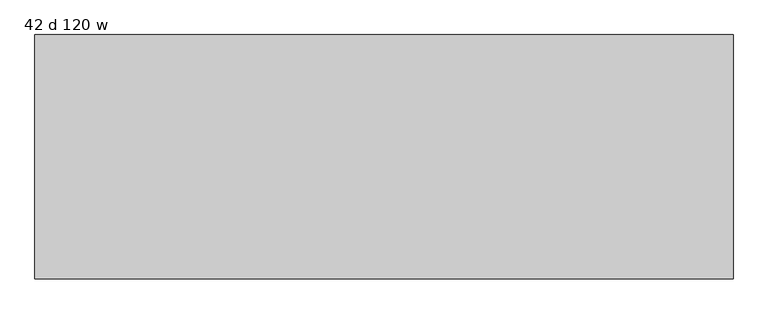
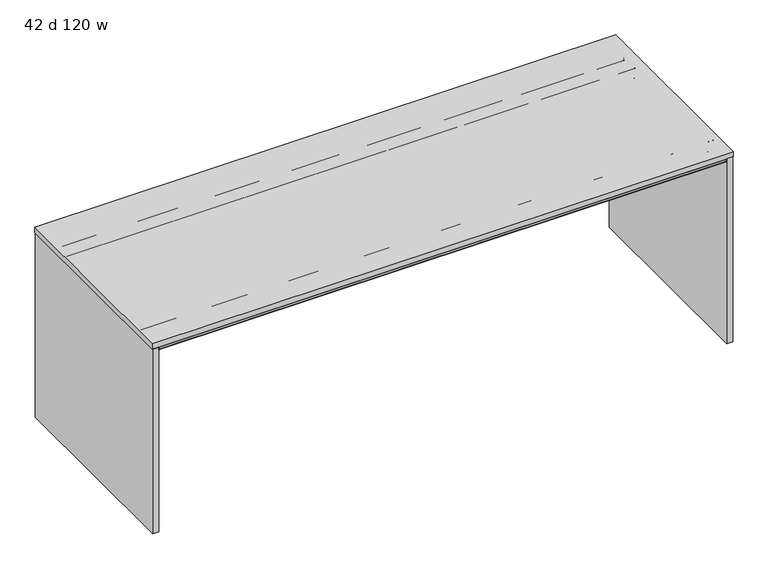
"""IFC4 building model written with IfcOpenShell, lengths in millimetres: furniture geometry, 42 d 120 w."""

from ifc_helpers import new_model, si_unit, frame, origin, place, context, project, spatial, polyline, circle_curve, outline, extrude, source, transform, mapped, element, save
from ifc_brep_helpers import plane_surface, cylinder_surface, revolved_surface, advanced_brep


def furniture_42_d_120_w_baacfdd0(model_context):
    return source(origin(), model_context, "Body", "SolidModel", [
        advanced_brep(
        [(-1489.9632694, -440.6387871, 1035.7451368), (-1489.9632694, -440.6387871, 1037.2344355), (-1489.9632694, -233.4775792, 1037.2344355), (-1489.9632694, -233.4775792, 1035.7451368), (-1489.9632694, -297.548793, 1035.7451368), (-1489.9632694, -298.3387884, 1034.9551414), (-1489.9632694, -298.3387884, 981.8251949), (-1489.9632694, -300.3487901, 979.8151932), (-1489.9632694, -371.3288099, 979.8151932), (-1489.9632694, -373.3387889, 981.8251722), (-1489.9632694, -373.3387889, 1034.9551324), (-1489.9632694, -374.1287934, 1035.7451368), (-1489.9632694, -377.3440004, 1035.7451368), (-1489.9632694, -377.3440004, 1034.8551476), (-1489.9632694, -393.351863, 1034.8551476), (-1489.9632694, -394.3440074, 1033.8630031), (-1489.9632694, -394.3440074, 1022.7701294), (-1489.9632694, -396.0239921, 1021.0901447), (-1489.9632694, -529.664018, 1021.0901447), (-1489.9632694, -531.3440027, 1022.7701294), (-1489.9632694, -531.3440027, 1035.2851358), (-1489.9632694, -529.3947031, 1037.2344355), (-1489.9632694, -511.3440062, 1037.2344355), (-1489.9632694, -511.3440062, 1035.7451368), (1489.9632694, -373.3387889, 1034.9551324), (1489.9632694, -373.3387889, 981.8251722), (1489.9632694, -371.3288099, 979.8151932), (1489.9632694, -300.3487901, 979.8151932), (1489.9632694, -298.3387884, 981.8251949), (1489.9632694, -298.3387884, 1034.9551414), (1489.9632694, -297.548793, 1035.7451368), (1489.9632694, -233.4775792, 1035.7451368), (1489.9632694, -233.4775792, 1037.2344355), (1489.9632694, -373.3387889, 1037.2344355), (1513.8077008, -374.1287934, 1035.7451368), (1513.8077008, -440.6387871, 1035.7451368), (1489.9632694, -440.6387871, 1035.7451368), (1489.9632694, -377.3440004, 1035.7451368), (1489.9632694, -374.1287934, 1035.7451368), (-1437.6233975, -373.3387889, 1034.9551324), (-1413.7789661, -373.3387889, 1034.9551324), (-1457.5087931, -233.4775792, 1035.7451368), (-1451.8323695, -235.8288302, 1035.7451368), (-1423.0978826, -264.5633064, 1035.7451368), (-1405.1373737, -272.0027908, 1035.7451368), (1405.1373737, -272.0027908, 1035.7451368), (1423.0978826, -264.5633064, 1035.7451368), (1451.8323695, -235.8288302, 1035.7451368), (1457.5087931, -233.4775792, 1035.7451368), (1513.8077008, -440.6387871, 1037.2344355), (1513.8077008, -373.3387889, 1037.2344355), (1457.5087931, -233.4775792, 1037.2344355), (1451.8323695, -235.8288302, 1037.2344355), (1423.0978826, -264.5633064, 1037.2344355), (1405.1373737, -272.0027908, 1037.2344355), (-1405.1373737, -272.0027908, 1037.2344355), (-1423.0978826, -264.5633064, 1037.2344355), (-1451.8323695, -235.8288302, 1037.2344355), (-1457.5087931, -233.4775792, 1037.2344355), (1513.8077008, -373.3387889, 1034.9551324), (1489.9632694, -396.0239921, 1021.0901447), (1489.9632694, -394.3440074, 1022.7701294), (1489.9632694, -394.3440074, 1033.8630031), (1489.9632694, -393.351863, 1034.8551476), (1489.9632694, -377.3440004, 1034.8551476), (1489.9632694, -511.3440062, 1035.7451368), (1489.9632694, -511.3440062, 1037.2344355), (1489.9632694, -529.3947031, 1037.2344355), (1489.9632694, -531.3440027, 1035.2851358), (1489.9632694, -531.3440027, 1022.7701294), (1489.9632694, -529.664018, 1021.0901447)],
        [
            (0, 1),
            (1, 2),
            (2, 3),
            (3, 4),
            (4, 5, circle_curve(frame((-1489.9632694, -297.548793, 1034.9551414), z_axis=(1.0, 0.0, 0.0), x_axis=(0.0, 1.0, 0.0)), 0.7899954)),
            (5, 6),
            (6, 7, circle_curve(frame((-1489.9632694, -300.3487901, 981.8251949), z_axis=(-1.0, 0.0, 0.0), x_axis=(0.0, 1.0, 0.0)), 2.0100018)),
            (7, 8),
            (8, 9, circle_curve(frame((-1489.9632694, -371.3288099, 981.8251722), z_axis=(-1.0, 0.0, 0.0), x_axis=(0.0, 1.0, 0.0)), 2.0099791)),
            (9, 10),
            (10, 11, circle_curve(frame((-1489.9632694, -374.1287934, 1034.9551324), z_axis=(1.0, 0.0, 0.0), x_axis=(0.0, 1.0, 0.0)), 0.7900045)),
            (11, 12),
            (12, 13),
            (13, 14),
            (14, 15, circle_curve(frame((-1489.9632694, -393.351863, 1033.8630031), z_axis=(1.0, 0.0, 0.0), x_axis=(0.0, 1.0, 0.0)), 0.9921444)),
            (15, 16),
            (16, 17, circle_curve(frame((-1489.9632694, -396.0239921, 1022.7701294), z_axis=(-1.0, 0.0, 0.0), x_axis=(0.0, 1.0, 0.0)), 1.6799847)),
            (17, 18),
            (18, 19, circle_curve(frame((-1489.9632694, -529.664018, 1022.7701294), z_axis=(-1.0, 0.0, 0.0), x_axis=(0.0, 1.0, 0.0)), 1.6799847)),
            (19, 20),
            (20, 21, circle_curve(frame((-1489.9632694, -529.3947031, 1035.2851358), z_axis=(-1.0, 0.0, 0.0), x_axis=(0.0, 1.0, 0.0)), 1.9492996)),
            (21, 22),
            (22, 23),
            (23, 0),
            (24, 25),
            (25, 26, circle_curve(frame((1489.9632694, -371.3288099, 981.8251722), z_axis=(1.0, 0.0, 0.0), x_axis=(0.0, 1.0, 0.0)), 2.0099791)),
            (26, 27),
            (27, 28, circle_curve(frame((1489.9632694, -300.3487901, 981.8251949), z_axis=(1.0, 0.0, 0.0), x_axis=(0.0, 1.0, 0.0)), 2.0100018)),
            (28, 29),
            (29, 30, circle_curve(frame((1489.9632694, -297.548793, 1034.9551414), z_axis=(-1.0, 0.0, 0.0), x_axis=(0.0, 1.0, 0.0)), 0.7899954)),
            (30, 31),
            (31, 32),
            (32, 33),
            (33, 24),
            (34, 35),
            (35, 36),
            (36, 37),
            (37, 12),
            (11, 38),
            (38, 34),
            (10, 39),
            (39, 40),
            (40, 24),
            (24, 38, circle_curve(frame((1489.9632694, -374.1287934, 1034.9551324), z_axis=(1.0, 0.0, 0.0), x_axis=(0.0, 1.0, 0.0)), 0.7900045)),
            (9, 25),
            (8, 26),
            (7, 27),
            (6, 28),
            (5, 29),
            (4, 30),
            (3, 41),
            (41, 42, circle_curve(frame((-1457.5087931, -241.505256, 1035.7451368), z_axis=(0.0, 0.0, -1.0), x_axis=(-1.0, 0.0, 0.0)), 8.0276768)),
            (42, 43),
            (43, 44, circle_curve(frame((-1405.1373737, -246.6027908, 1035.7451368), z_axis=(0.0, 0.0, 1.0), x_axis=(-1.0, 0.0, 0.0)), 25.4)),
            (44, 45),
            (45, 46, circle_curve(frame((1405.1373737, -246.6027908, 1035.7451368), z_axis=(0.0, 0.0, 1.0), x_axis=(-1.0, 0.0, 0.0)), 25.4)),
            (46, 47),
            (47, 48, circle_curve(frame((1457.5087931, -241.505256, 1035.7451368), z_axis=(0.0, 0.0, -1.0), x_axis=(-1.0, 0.0, 0.0)), 8.0276768)),
            (48, 31),
            (1, 49),
            (49, 50),
            (50, 33),
            (32, 51),
            (51, 52, circle_curve(frame((1457.5087931, -241.505256, 1037.2344355), z_axis=(0.0, 0.0, 1.0), x_axis=(-1.0, 0.0, 0.0)), 8.0276768)),
            (52, 53),
            (53, 54, circle_curve(frame((1405.1373737, -246.6027908, 1037.2344355), z_axis=(0.0, 0.0, -1.0), x_axis=(-1.0, 0.0, 0.0)), 25.4)),
            (54, 55),
            (55, 56, circle_curve(frame((-1405.1373737, -246.6027908, 1037.2344355), z_axis=(0.0, 0.0, -1.0), x_axis=(-1.0, 0.0, 0.0)), 25.4)),
            (56, 57),
            (57, 58, circle_curve(frame((-1457.5087931, -241.505256, 1037.2344355), z_axis=(0.0, 0.0, 1.0), x_axis=(-1.0, 0.0, 0.0)), 8.0276768)),
            (58, 2),
            (0, 36),
            (35, 49),
            (34, 59, circle_curve(frame((1513.8077008, -374.1287934, 1034.9551324), z_axis=(-1.0, 0.0, 0.0), x_axis=(0.0, 0.0, 1.0)), 0.7900045)),
            (59, 50),
            (24, 59),
            (60, 61, circle_curve(frame((1489.9632694, -396.0239921, 1022.7701294), z_axis=(1.0, 0.0, 0.0), x_axis=(0.0, 1.0, 0.0)), 1.6799847)),
            (61, 62),
            (62, 63, circle_curve(frame((1489.9632694, -393.351863, 1033.8630031), z_axis=(-1.0, 0.0, 0.0), x_axis=(0.0, 1.0, 0.0)), 0.9921444)),
            (63, 64),
            (64, 37),
            (36, 65),
            (65, 66),
            (66, 67),
            (67, 68, circle_curve(frame((1489.9632694, -529.3947031, 1035.2851358), z_axis=(1.0, 0.0, 0.0), x_axis=(0.0, 1.0, 0.0)), 1.9492996)),
            (68, 69),
            (69, 70, circle_curve(frame((1489.9632694, -529.664018, 1022.7701294), z_axis=(1.0, 0.0, 0.0), x_axis=(0.0, 1.0, 0.0)), 1.6799847)),
            (70, 60),
            (16, 61),
            (60, 17),
            (15, 62),
            (14, 63),
            (13, 64),
            (23, 65),
            (22, 66),
            (21, 67),
            (20, 68),
            (19, 69),
            (18, 70),
            (58, 41),
            (57, 42),
            (56, 43),
            (55, 44),
            (54, 45),
            (53, 46),
            (52, 47),
            (51, 48),
        ],
        [
            plane_surface(frame((-1489.9632694, -335.8388, 1037.2344355), z_axis=(-1.0, 0.0, 0.0), x_axis=(0.0, 0.0, 1.0))),
            plane_surface(frame((1489.9632694, -335.8388, 1037.2344355), z_axis=(1.0, 0.0, 0.0), x_axis=(0.0, 0.0, 1.0))),
            plane_surface(frame((-1489.9632694, -374.1287934, 1035.7451368), z_axis=(0.0, 0.0, -1.0), x_axis=(1.0, 0.0, 0.0))),
            revolved_surface(polyline([(1489.9632694, -373.3387889, 1034.9551324), (-1489.9632694, -373.3387889, 1034.9551324)]), (-1489.9632694, -374.1287934, 1034.9551324), (1.0, 0.0, 0.0)),
            plane_surface(frame((-1489.9632694, -373.3387889, 981.8251722), z_axis=(0.0, -1.0, 0.0), x_axis=(1.0, 0.0, 0.0))),
            cylinder_surface(frame((-1489.9632694, -371.3288099, 981.8251722), z_axis=(-1.0, 0.0, 0.0), x_axis=(0.0, 1.0, 0.0)), 2.0099791),
            plane_surface(frame((-1489.9632694, -300.3487901, 979.8151932), z_axis=(0.0, 0.0, -1.0), x_axis=(1.0, 0.0, 0.0))),
            cylinder_surface(frame((-1489.9632694, -300.3487901, 981.8251949), z_axis=(-1.0, 0.0, 0.0), x_axis=(0.0, 1.0, 0.0)), 2.0100018),
            plane_surface(frame((-1489.9632694, -298.3387884, 1034.9551414), z_axis=(0.0, 1.0, 0.0), x_axis=(1.0, 0.0, 0.0))),
            revolved_surface(polyline([(1489.9632694, -296.7587976, 1034.9551414), (-1489.9632694, -296.7587976, 1034.9551414)]), (-1489.9632694, -297.548793, 1034.9551414), (1.0, 0.0, 0.0)),
            plane_surface(frame((-1489.9632694, -231.0387896, 1035.7451368), z_axis=(0.0, 0.0, -1.0), x_axis=(1.0, 0.0, 0.0))),
            plane_surface(frame((-1489.9632694, -440.6387871, 1037.2344355), z_axis=(0.0, 0.0, 1.0), x_axis=(1.0, 0.0, 0.0))),
            plane_surface(frame((-1489.9632694, -440.6387871, 1035.7451368), z_axis=(0.0, -1.0, 0.0), x_axis=(1.0, 0.0, 0.0))),
            plane_surface(frame((1513.8077008, -440.6387871, 1037.2344355), z_axis=(1.0, 0.0, 0.0), x_axis=(0.0, 0.0, -1.0))),
            revolved_surface(polyline([(1489.9632694, -374.1287934, 1035.7451368999998), (1513.8077008, -374.1287934, 1035.7451368999998)]), (1489.9632694, -374.1287934, 1034.9551324), (-1.0, 0.0, 0.0)),
            plane_surface(frame((1513.8077008, -373.3387889, 1034.9551324), z_axis=(0.0, 1.0, 0.0), x_axis=(-1.0, 0.0, 0.0))),
            plane_surface(frame((1489.9632694, -533.4, 1037.2344355), z_axis=(1.0, 0.0, 0.0), x_axis=(0.0, 0.0, 1.0))),
            cylinder_surface(frame((-1489.9632694, -396.0239921, 1022.7701294), z_axis=(-1.0, 0.0, 0.0), x_axis=(0.0, 1.0, 0.0)), 1.6799847),
            plane_surface(frame((-1489.9632694, -394.3440074, 1033.8630031), z_axis=(0.0, 1.0, 0.0), x_axis=(1.0, 0.0, 0.0))),
            revolved_surface(polyline([(1489.9632694, -392.3597186, 1033.8630031), (-1489.9632694, -392.3597186, 1033.8630031)]), (-1489.9632694, -393.351863, 1033.8630031), (1.0, 0.0, 0.0)),
            plane_surface(frame((-1489.9632694, -377.3440004, 1034.8551476), z_axis=(0.0, 0.0, -1.0), x_axis=(1.0, 0.0, 0.0))),
            plane_surface(frame((-1489.9632694, -377.3440004, 1035.7451368), z_axis=(0.0, 1.0, 0.0), x_axis=(1.0, 0.0, 0.0))),
            plane_surface(frame((-1489.9632694, -511.3440062, 1035.7451368), z_axis=(0.0, 0.0, 1.0), x_axis=(1.0, 0.0, 0.0))),
            plane_surface(frame((-1489.9632694, -511.3440062, 1037.2344355), z_axis=(0.0, 1.0, 0.0), x_axis=(1.0, 0.0, 0.0))),
            plane_surface(frame((-1489.9632694, -529.3947031, 1037.2344355), z_axis=(0.0, 0.0, 1.0), x_axis=(1.0, 0.0, 0.0))),
            cylinder_surface(frame((-1489.9632694, -529.3947031, 1035.2851358), z_axis=(-1.0, 0.0, 0.0), x_axis=(0.0, 1.0, 0.0)), 1.9492996),
            plane_surface(frame((-1489.9632694, -531.3440027, 1022.7701294), z_axis=(0.0, -1.0, 0.0), x_axis=(1.0, 0.0, 0.0))),
            cylinder_surface(frame((-1489.9632694, -529.664018, 1022.7701294), z_axis=(-1.0, 0.0, 0.0), x_axis=(0.0, 1.0, 0.0)), 1.6799847),
            plane_surface(frame((-1489.9632694, -396.0239921, 1021.0901447), z_axis=(0.0, 0.0, -1.0), x_axis=(1.0, 0.0, 0.0))),
            plane_surface(frame((-1489.9632694, -233.4775792, 1037.2344355), z_axis=(0.0, 1.0, 0.0), x_axis=(0.0, 0.0, -1.0))),
            cylinder_surface(frame((-1457.5087931, -241.505256, 1021.0901447), z_axis=(0.0, 0.0, -1.0), x_axis=(-1.0, 0.0, 0.0)), 8.0276768),
            plane_surface(frame((-1451.8323695, -235.8288302, 1037.2344355), z_axis=(0.7071066495450241, 0.7071069128280466, 0.0), x_axis=(0.0, 0.0, -1.0))),
            revolved_surface(polyline([(-1430.5373737, -246.6027908, 1037.2344355), (-1430.5373737, -246.6027908, 1035.7451368)]), (-1405.1373737, -246.6027908, 1021.0901447), (0.0, 0.0, 1.0)),
            plane_surface(frame((-1405.1373737, -272.0027908, 1037.2344355), z_axis=(0.0, 1.0, 0.0), x_axis=(0.0, 0.0, -1.0))),
            revolved_surface(polyline([(1379.7373736999998, -246.6027908, 1037.2344355), (1379.7373736999998, -246.6027908, 1035.7451368)]), (1405.1373737, -246.6027908, 1021.0901447), (0.0, 0.0, 1.0)),
            plane_surface(frame((1423.0978826, -264.5633064, 1037.2344355), z_axis=(-0.7071066495450153, 0.7071069128280554, 0.0), x_axis=(0.0, 0.0, -1.0))),
            cylinder_surface(frame((1457.5087931, -241.505256, 1021.0901447), z_axis=(0.0, 0.0, -1.0), x_axis=(-1.0, 0.0, 0.0)), 8.0276768),
            plane_surface(frame((1457.5087931, -233.4775792, 1037.2344355), z_axis=(0.0, 1.0, 0.0), x_axis=(0.0, 0.0, -1.0))),
        ],
        [
            (0, [[1, 2, 3, 4, 5, 6, 7, 8, 9, 10, 11, 12, 13, 14, 15, 16, 17, 18, 19, 20, 21, 22, 23, 24]]),
            (1, [[25, 26, 27, 28, 29, 30, 31, 32, 33, 34]]),
            (2, [[35, 36, 37, 38, -12, 39, 40]]),
            (3, [[-11, 41, 42, 43, 44, -39]]),
            (4, [[-10, 45, -25, -43, -42, -41]]),
            (5, [[-9, 46, -26, -45]]),
            (6, [[-8, 47, -27, -46]]),
            (7, [[-7, 48, -28, -47]]),
            (8, [[-6, 49, -29, -48]]),
            (9, [[-5, 50, -30, -49]]),
            (10, [[-50, -4, 51, 52, 53, 54, 55, 56, 57, 58, 59, -31]]),
            (11, [[-2, 60, 61, 62, -33, 63, 64, 65, 66, 67, 68, 69, 70, 71]]),
            (12, [[-1, 72, -36, 73, -60]]),
            (13, [[-73, -35, 74, 75, -61]]),
            (14, [[-74, -40, -44, 76]]),
            (15, [[-75, -76, -34, -62]]),
            (16, [[77, 78, 79, 80, 81, -37, 82, 83, 84, 85, 86, 87, 88]]),
            (17, [[-17, 89, -77, 90]]),
            (18, [[-16, 91, -78, -89]]),
            (19, [[-15, 92, -79, -91]]),
            (20, [[-14, 93, -80, -92]]),
            (21, [[-13, -38, -81, -93]]),
            (22, [[94, -82, -72, -24]]),
            (23, [[-23, 95, -83, -94]]),
            (24, [[-22, 96, -84, -95]]),
            (25, [[-21, 97, -85, -96]]),
            (26, [[-20, 98, -86, -97]]),
            (27, [[-19, 99, -87, -98]]),
            (28, [[-18, -90, -88, -99]]),
            (29, [[100, -51, -3, -71]]),
            (30, [[-100, -70, 101, -52]]),
            (31, [[-101, -69, 102, -53]]),
            (32, [[-102, -68, 103, -54]]),
            (33, [[-103, -67, 104, -55]]),
            (34, [[-104, -66, 105, -56]]),
            (35, [[-105, -65, 106, -57]]),
            (36, [[-106, -64, 107, -58]]),
            (37, [[-107, -63, -32, -59]]),
        ],
    ),
        advanced_brep(
        [(-1489.9632694, 374.1287934, 1035.7451368), (-1489.9632694, 373.3387889, 1034.9551324), (-1489.9632694, 373.3387889, 981.8251722), (-1489.9632694, 371.3288099, 979.8151932), (-1489.9632694, 300.3487901, 979.8151932), (-1489.9632694, 298.3387884, 981.8251949), (-1489.9632694, 298.3387884, 1034.9551414), (-1489.9632694, 297.548793, 1035.7451368), (-1489.9632694, 233.4775792, 1035.7451368), (-1489.9632694, 233.4775792, 1037.2344355), (-1489.9632694, 440.6387871, 1037.2344355), (-1489.9632694, 440.6387871, 1035.7451368), (-1489.9632694, 511.3440062, 1035.7451368), (-1489.9632694, 511.3440062, 1037.2344355), (-1489.9632694, 529.3947031, 1037.2344355), (-1489.9632694, 531.3440027, 1035.2851358), (-1489.9632694, 531.3440027, 1022.7701294), (-1489.9632694, 529.664018, 1021.0901447), (-1489.9632694, 396.0239921, 1021.0901447), (-1489.9632694, 394.3440074, 1022.7701294), (-1489.9632694, 394.3440074, 1033.8630031), (-1489.9632694, 393.351863, 1034.8551476), (-1489.9632694, 377.3440004, 1034.8551476), (-1489.9632694, 377.3440004, 1035.7451368), (1489.9632694, 297.548793, 1035.7451368), (1489.9632694, 298.3387884, 1034.9551414), (1489.9632694, 298.3387884, 981.8251949), (1489.9632694, 300.3487901, 979.8151932), (1489.9632694, 371.3288099, 979.8151932), (1489.9632694, 373.3387889, 981.8251722), (1489.9632694, 373.3387889, 1034.9551324), (1489.9632694, 373.3387889, 1037.2344355), (1489.9632694, 233.4775792, 1037.2344355), (1489.9632694, 233.4775792, 1035.7451368), (1513.8077008, 440.6387871, 1035.7451368), (1513.8077008, 374.1287934, 1035.7451368), (1489.9632694, 374.1287934, 1035.7451368), (1489.9632694, 377.3440004, 1035.7451368), (1489.9632694, 440.6387871, 1035.7451368), (-1413.7789661, 373.3387889, 1034.9551324), (-1437.6233975, 373.3387889, 1034.9551324), (1457.5087931, 233.4775792, 1035.7451368), (1451.8323695, 235.8288302, 1035.7451368), (1423.0978826, 264.5633064, 1035.7451368), (1405.1373737, 272.0027908, 1035.7451368), (-1405.1373737, 272.0027908, 1035.7451368), (-1423.0978826, 264.5633064, 1035.7451368), (-1451.8323695, 235.8288302, 1035.7451368), (-1457.5087931, 233.4775792, 1035.7451368), (-1457.5087931, 233.4775792, 1037.2344355), (-1451.8323695, 235.8288302, 1037.2344355), (-1423.0978826, 264.5633064, 1037.2344355), (-1405.1373737, 272.0027908, 1037.2344355), (1405.1373737, 272.0027908, 1037.2344355), (1423.0978826, 264.5633064, 1037.2344355), (1451.8323695, 235.8288302, 1037.2344355), (1457.5087931, 233.4775792, 1037.2344355), (1513.8077008, 373.3387889, 1037.2344355), (1513.8077008, 440.6387871, 1037.2344355), (1513.8077008, 373.3387889, 1034.9551324), (1489.9632694, 396.0239921, 1021.0901447), (1489.9632694, 529.664018, 1021.0901447), (1489.9632694, 531.3440027, 1022.7701294), (1489.9632694, 531.3440027, 1035.2851358), (1489.9632694, 529.3947031, 1037.2344355), (1489.9632694, 511.3440062, 1037.2344355), (1489.9632694, 511.3440062, 1035.7451368), (1489.9632694, 377.3440004, 1034.8551476), (1489.9632694, 393.351863, 1034.8551476), (1489.9632694, 394.3440074, 1033.8630031), (1489.9632694, 394.3440074, 1022.7701294)],
        [
            (0, 1, circle_curve(frame((-1489.9632694, 374.1287934, 1034.9551324), z_axis=(1.0, 0.0, 0.0), x_axis=(0.0, 1.0, 0.0)), 0.7900045)),
            (1, 2),
            (2, 3, circle_curve(frame((-1489.9632694, 371.3288099, 981.8251722), z_axis=(-1.0, 0.0, 0.0), x_axis=(0.0, 1.0, 0.0)), 2.0099791)),
            (3, 4),
            (4, 5, circle_curve(frame((-1489.9632694, 300.3487901, 981.8251949), z_axis=(-1.0, 0.0, 0.0), x_axis=(0.0, 1.0, 0.0)), 2.0100018)),
            (5, 6),
            (6, 7, circle_curve(frame((-1489.9632694, 297.548793, 1034.9551414), z_axis=(1.0, 0.0, 0.0), x_axis=(0.0, 1.0, 0.0)), 0.7899954)),
            (7, 8),
            (8, 9),
            (9, 10),
            (10, 11),
            (11, 12),
            (12, 13),
            (13, 14),
            (14, 15, circle_curve(frame((-1489.9632694, 529.3947031, 1035.2851358), z_axis=(-1.0, 0.0, 0.0), x_axis=(0.0, 1.0, 0.0)), 1.9492996)),
            (15, 16),
            (16, 17, circle_curve(frame((-1489.9632694, 529.664018, 1022.7701294), z_axis=(-1.0, 0.0, 0.0), x_axis=(0.0, 1.0, 0.0)), 1.6799847)),
            (17, 18),
            (18, 19, circle_curve(frame((-1489.9632694, 396.0239921, 1022.7701294), z_axis=(-1.0, 0.0, 0.0), x_axis=(0.0, 1.0, 0.0)), 1.6799847)),
            (19, 20),
            (20, 21, circle_curve(frame((-1489.9632694, 393.351863, 1033.8630031), z_axis=(1.0, 0.0, 0.0), x_axis=(0.0, 1.0, 0.0)), 0.9921444)),
            (21, 22),
            (22, 23),
            (23, 0),
            (24, 25, circle_curve(frame((1489.9632694, 297.548793, 1034.9551414), z_axis=(-1.0, 0.0, 0.0), x_axis=(0.0, 1.0, 0.0)), 0.7899954)),
            (25, 26),
            (26, 27, circle_curve(frame((1489.9632694, 300.3487901, 981.8251949), z_axis=(1.0, 0.0, 0.0), x_axis=(0.0, 1.0, 0.0)), 2.0100018)),
            (27, 28),
            (28, 29, circle_curve(frame((1489.9632694, 371.3288099, 981.8251722), z_axis=(1.0, 0.0, 0.0), x_axis=(0.0, 1.0, 0.0)), 2.0099791)),
            (29, 30),
            (30, 31),
            (31, 32),
            (32, 33),
            (33, 24),
            (34, 35),
            (35, 36),
            (36, 0),
            (23, 37),
            (37, 38),
            (38, 34),
            (36, 30, circle_curve(frame((1489.9632694, 374.1287934, 1034.9551324), z_axis=(1.0, 0.0, 0.0), x_axis=(0.0, 1.0, 0.0)), 0.7900045)),
            (30, 39),
            (39, 40),
            (40, 1),
            (29, 2),
            (28, 3),
            (27, 4),
            (26, 5),
            (25, 6),
            (24, 7),
            (33, 41),
            (41, 42, circle_curve(frame((1457.5087931, 241.505256, 1035.7451368), z_axis=(0.0, 0.0, -1.0), x_axis=(-1.0, 0.0, 0.0)), 8.0276768)),
            (42, 43),
            (43, 44, circle_curve(frame((1405.1373737, 246.6027908, 1035.7451368), z_axis=(0.0, 0.0, 1.0), x_axis=(-1.0, 0.0, 0.0)), 25.4)),
            (44, 45),
            (45, 46, circle_curve(frame((-1405.1373737, 246.6027908, 1035.7451368), z_axis=(0.0, 0.0, 1.0), x_axis=(-1.0, 0.0, 0.0)), 25.4)),
            (46, 47),
            (47, 48, circle_curve(frame((-1457.5087931, 241.505256, 1035.7451368), z_axis=(0.0, 0.0, -1.0), x_axis=(-1.0, 0.0, 0.0)), 8.0276768)),
            (48, 8),
            (9, 49),
            (49, 50, circle_curve(frame((-1457.5087931, 241.505256, 1037.2344355), z_axis=(0.0, 0.0, 1.0), x_axis=(-1.0, 0.0, 0.0)), 8.0276768)),
            (50, 51),
            (51, 52, circle_curve(frame((-1405.1373737, 246.6027908, 1037.2344355), z_axis=(0.0, 0.0, -1.0), x_axis=(-1.0, 0.0, 0.0)), 25.4)),
            (52, 53),
            (53, 54, circle_curve(frame((1405.1373737, 246.6027908, 1037.2344355), z_axis=(0.0, 0.0, -1.0), x_axis=(-1.0, 0.0, 0.0)), 25.4)),
            (54, 55),
            (55, 56, circle_curve(frame((1457.5087931, 241.505256, 1037.2344355), z_axis=(0.0, 0.0, 1.0), x_axis=(-1.0, 0.0, 0.0)), 8.0276768)),
            (56, 32),
            (31, 57),
            (57, 58),
            (58, 10),
            (58, 34),
            (38, 11),
            (57, 59),
            (59, 35, circle_curve(frame((1513.8077008, 374.1287934, 1034.9551324), z_axis=(-1.0, 0.0, 0.0), x_axis=(0.0, 0.0, 1.0)), 0.7900045)),
            (30, 59),
            (60, 61),
            (61, 62, circle_curve(frame((1489.9632694, 529.664018, 1022.7701294), z_axis=(1.0, 0.0, 0.0), x_axis=(0.0, 1.0, 0.0)), 1.6799847)),
            (62, 63),
            (63, 64, circle_curve(frame((1489.9632694, 529.3947031, 1035.2851358), z_axis=(1.0, 0.0, 0.0), x_axis=(0.0, 1.0, 0.0)), 1.9492996)),
            (64, 65),
            (65, 66),
            (66, 38),
            (37, 67),
            (67, 68),
            (68, 69, circle_curve(frame((1489.9632694, 393.351863, 1033.8630031), z_axis=(-1.0, 0.0, 0.0), x_axis=(0.0, 1.0, 0.0)), 0.9921444)),
            (69, 70),
            (70, 60, circle_curve(frame((1489.9632694, 396.0239921, 1022.7701294), z_axis=(1.0, 0.0, 0.0), x_axis=(0.0, 1.0, 0.0)), 1.6799847)),
            (18, 60),
            (70, 19),
            (69, 20),
            (68, 21),
            (67, 22),
            (66, 12),
            (65, 13),
            (64, 14),
            (63, 15),
            (62, 16),
            (61, 17),
            (56, 41),
            (55, 42),
            (54, 43),
            (53, 44),
            (52, 45),
            (51, 46),
            (50, 47),
            (49, 48),
        ],
        [
            plane_surface(frame((-1489.9632694, 335.8388, 1037.2344355), z_axis=(-1.0, 0.0, 0.0), x_axis=(0.0, 0.0, 1.0))),
            plane_surface(frame((1489.9632694, 335.8388, 1037.2344355), z_axis=(1.0, 0.0, 0.0), x_axis=(0.0, 0.0, 1.0))),
            plane_surface(frame((-1489.9632694, 440.6387871, 1035.7451368), z_axis=(0.0, 0.0, -1.0), x_axis=(1.0, 0.0, 0.0))),
            revolved_surface(polyline([(1489.9632694, 374.9187979, 1034.9551324), (-1489.9632694, 374.9187979, 1034.9551324)]), (-1489.9632694, 374.1287934, 1034.9551324), (1.0, 0.0, 0.0)),
            plane_surface(frame((-1489.9632694, 373.3387889, 1034.9551324), z_axis=(0.0, 1.0, 0.0), x_axis=(1.0, 0.0, 0.0))),
            cylinder_surface(frame((-1489.9632694, 371.3288099, 981.8251722), z_axis=(-1.0, 0.0, 0.0), x_axis=(0.0, 1.0, 0.0)), 2.0099791),
            plane_surface(frame((-1489.9632694, 371.3288099, 979.8151932), z_axis=(0.0, 0.0, -1.0), x_axis=(1.0, 0.0, 0.0))),
            cylinder_surface(frame((-1489.9632694, 300.3487901, 981.8251949), z_axis=(-1.0, 0.0, 0.0), x_axis=(0.0, 1.0, 0.0)), 2.0100018),
            plane_surface(frame((-1489.9632694, 298.3387884, 981.8251949), z_axis=(0.0, -1.0, 0.0), x_axis=(1.0, 0.0, 0.0))),
            revolved_surface(polyline([(1489.9632694, 298.3387884, 1034.9551414), (-1489.9632694, 298.3387884, 1034.9551414)]), (-1489.9632694, 297.548793, 1034.9551414), (1.0, 0.0, 0.0)),
            plane_surface(frame((-1489.9632694, 297.548793, 1035.7451368), z_axis=(0.0, 0.0, -1.0), x_axis=(1.0, 0.0, 0.0))),
            plane_surface(frame((-1489.9632694, 231.0387896, 1037.2344355), z_axis=(0.0, 0.0, 1.0), x_axis=(1.0, 0.0, 0.0))),
            plane_surface(frame((-1489.9632694, 440.6387871, 1037.2344355), z_axis=(0.0, 1.0, 0.0), x_axis=(1.0, 0.0, 0.0))),
            plane_surface(frame((1513.8077008, -440.6387871, 1037.2344355), z_axis=(1.0, 0.0, 0.0), x_axis=(0.0, 0.0, -1.0))),
            plane_surface(frame((1513.8077008, 373.3387889, 1037.2344355), z_axis=(0.0, -1.0, 0.0), x_axis=(-1.0, 0.0, 0.0))),
            revolved_surface(polyline([(1489.9632694, 374.1287934, 1035.7451368999998), (1513.8077008, 374.1287934, 1035.7451368999998)]), (1489.9632694, 374.1287934, 1034.9551324), (-1.0, 0.0, 0.0)),
            plane_surface(frame((1489.9632694, 533.4, 1037.2344355), z_axis=(1.0, 0.0, 0.0), x_axis=(0.0, 0.0, 1.0))),
            cylinder_surface(frame((-1489.9632694, 396.0239921, 1022.7701294), z_axis=(-1.0, 0.0, 0.0), x_axis=(0.0, 1.0, 0.0)), 1.6799847),
            plane_surface(frame((-1489.9632694, 394.3440074, 1022.7701294), z_axis=(0.0, -1.0, 0.0), x_axis=(1.0, 0.0, 0.0))),
            revolved_surface(polyline([(1489.9632694, 394.34400739999995, 1033.8630031), (-1489.9632694, 394.34400739999995, 1033.8630031)]), (-1489.9632694, 393.351863, 1033.8630031), (1.0, 0.0, 0.0)),
            plane_surface(frame((-1489.9632694, 393.351863, 1034.8551476), z_axis=(0.0, 0.0, -1.0), x_axis=(1.0, 0.0, 0.0))),
            plane_surface(frame((-1489.9632694, 377.3440004, 1034.8551476), z_axis=(0.0, -1.0, 0.0), x_axis=(1.0, 0.0, 0.0))),
            plane_surface(frame((-1489.9632694, 377.3440004, 1035.7451368), z_axis=(0.0, 0.0, 1.0), x_axis=(1.0, 0.0, 0.0))),
            plane_surface(frame((-1489.9632694, 511.3440062, 1035.7451368), z_axis=(0.0, -1.0, 0.0), x_axis=(1.0, 0.0, 0.0))),
            plane_surface(frame((-1489.9632694, 511.3440062, 1037.2344355), z_axis=(0.0, 0.0, 1.0), x_axis=(1.0, 0.0, 0.0))),
            cylinder_surface(frame((-1489.9632694, 529.3947031, 1035.2851358), z_axis=(-1.0, 0.0, 0.0), x_axis=(0.0, 1.0, 0.0)), 1.9492996),
            plane_surface(frame((-1489.9632694, 531.3440027, 1035.2851358), z_axis=(0.0, 1.0, 0.0), x_axis=(1.0, 0.0, 0.0))),
            cylinder_surface(frame((-1489.9632694, 529.664018, 1022.7701294), z_axis=(-1.0, 0.0, 0.0), x_axis=(0.0, 1.0, 0.0)), 1.6799847),
            plane_surface(frame((-1489.9632694, 529.664018, 1021.0901447), z_axis=(0.0, 0.0, -1.0), x_axis=(1.0, 0.0, 0.0))),
            plane_surface(frame((1489.9632694, 233.4775792, 1037.2344355), z_axis=(0.0, -1.0, 0.0), x_axis=(0.0, 0.0, -1.0))),
            cylinder_surface(frame((1457.5087931, 241.505256, 1021.0901447), z_axis=(0.0, 0.0, -1.0), x_axis=(-1.0, 0.0, 0.0)), 8.0276768),
            plane_surface(frame((1451.8323695, 235.8288302, 1037.2344355), z_axis=(-0.7071066495449038, -0.707106912828167, 0.0), x_axis=(0.0, 0.0, -1.0))),
            revolved_surface(polyline([(1379.7373736999998, 246.6027908, 1037.2344355), (1379.7373736999998, 246.6027908, 1035.7451368)]), (1405.1373737, 246.6027908, 1021.0901447), (0.0, 0.0, 1.0)),
            plane_surface(frame((1405.1373737, 272.0027908, 1037.2344355), z_axis=(0.0, -1.0, 0.0), x_axis=(0.0, 0.0, -1.0))),
            revolved_surface(polyline([(-1430.5373737, 246.6027908, 1037.2344355), (-1430.5373737, 246.6027908, 1035.7451368)]), (-1405.1373737, 246.6027908, 1021.0901447), (0.0, 0.0, 1.0)),
            plane_surface(frame((-1423.0978826, 264.5633064, 1037.2344355), z_axis=(0.7071066495450054, -0.7071069128280654, 0.0), x_axis=(0.0, 0.0, -1.0))),
            cylinder_surface(frame((-1457.5087931, 241.505256, 1021.0901447), z_axis=(0.0, 0.0, -1.0), x_axis=(-1.0, 0.0, 0.0)), 8.0276768),
            plane_surface(frame((-1457.5087931, 233.4775792, 1037.2344355), z_axis=(0.0, -1.0, 0.0), x_axis=(0.0, 0.0, -1.0))),
        ],
        [
            (0, [[1, 2, 3, 4, 5, 6, 7, 8, 9, 10, 11, 12, 13, 14, 15, 16, 17, 18, 19, 20, 21, 22, 23, 24]]),
            (1, [[25, 26, 27, 28, 29, 30, 31, 32, 33, 34]]),
            (2, [[35, 36, 37, -24, 38, 39, 40]]),
            (3, [[-1, -37, 41, 42, 43, 44]]),
            (4, [[-2, -44, -43, -42, -30, 45]]),
            (5, [[-3, -45, -29, 46]]),
            (6, [[-4, -46, -28, 47]]),
            (7, [[-5, -47, -27, 48]]),
            (8, [[-6, -48, -26, 49]]),
            (9, [[-7, -49, -25, 50]]),
            (10, [[-50, -34, 51, 52, 53, 54, 55, 56, 57, 58, 59, -8]]),
            (11, [[-10, 60, 61, 62, 63, 64, 65, 66, 67, 68, -32, 69, 70, 71]]),
            (12, [[-11, -71, 72, -40, 73]]),
            (13, [[74, 75, -35, -72, -70]]),
            (14, [[-74, -69, -31, 76]]),
            (15, [[-75, -76, -41, -36]]),
            (16, [[77, 78, 79, 80, 81, 82, 83, -39, 84, 85, 86, 87, 88]]),
            (17, [[-19, 89, -88, 90]]),
            (18, [[-20, -90, -87, 91]]),
            (19, [[-21, -91, -86, 92]]),
            (20, [[-22, -92, -85, 93]]),
            (21, [[-23, -93, -84, -38]]),
            (22, [[94, -12, -73, -83]]),
            (23, [[-13, -94, -82, 95]]),
            (24, [[-14, -95, -81, 96]]),
            (25, [[-15, -96, -80, 97]]),
            (26, [[-16, -97, -79, 98]]),
            (27, [[-17, -98, -78, 99]]),
            (28, [[-18, -99, -77, -89]]),
            (29, [[100, -51, -33, -68]]),
            (30, [[-100, -67, 101, -52]]),
            (31, [[-101, -66, 102, -53]]),
            (32, [[-102, -65, 103, -54]]),
            (33, [[-103, -64, 104, -55]]),
            (34, [[-104, -63, 105, -56]]),
            (35, [[-105, -62, 106, -57]]),
            (36, [[-106, -61, 107, -58]]),
            (37, [[-107, -60, -9, -59]]),
        ],
    ),
        extrude(outline(polyline([(-1489.9632694, 533.4), (-1489.9632694, -533.4), (-1521.5098177, -533.4), (-1521.5098177, 533.4), (-1489.9632694, 533.4)])), frame((0.0, 0.0, 12.2237497), z_axis=(0.0, 0.0, 1.0), x_axis=(1.0, 0.0, 0.0)), (0.0, 0.0, 1.0), 1025.0106858),
        extrude(outline(polyline([(1489.9632694, 533.4), (1521.5098177, 533.4), (1521.5098177, -533.4), (1489.9632694, -533.4), (1489.9632694, 533.4)])), frame((0.0, 0.0, 12.2237497), z_axis=(0.0, 0.0, 1.0), x_axis=(1.0, 0.0, 0.0)), (0.0, 0.0, 1.0), 1025.0106858),
        extrude(outline(polyline([(1524.0, 533.4), (1524.0, -533.4), (-1524.0, -533.4), (-1524.0, 533.4), (1524.0, 533.4)])), frame((0.0, 0.0, 1037.2344355), z_axis=(0.0, 0.0, 1.0), x_axis=(1.0, 0.0, 0.0)), (0.0, 0.0, 1.0), 29.5655645),
    ])


if __name__ == "__main__":
    model = new_model("IFC4")
    model_context = context("Model", 3, world=origin())
    ifc_project = project(units=[si_unit("LENGTHUNIT", "METRE", prefix="MILLI")], contexts=[model_context])
    site = spatial("IfcSite", under=ifc_project)
    building = spatial("IfcBuilding", under=site)
    placement = place(None, origin())
    furniture_42_d_120_w_shape = furniture_42_d_120_w_baacfdd0(model_context)
    element("IfcFurniture", 1, ObjectType="42 d 120 w", at=placement, inside=building, context=model_context, shape_type="MappedRepresentation", body=[
        mapped(furniture_42_d_120_w_shape, transform((0.0, 0.0, 0.0), x_axis=(1.0, 0.0, 0.0), y_axis=(0.0, 1.0, 0.0), z_axis=(0.0, 0.0, 1.0))),
    ])
    save(model, "model.ifc")
